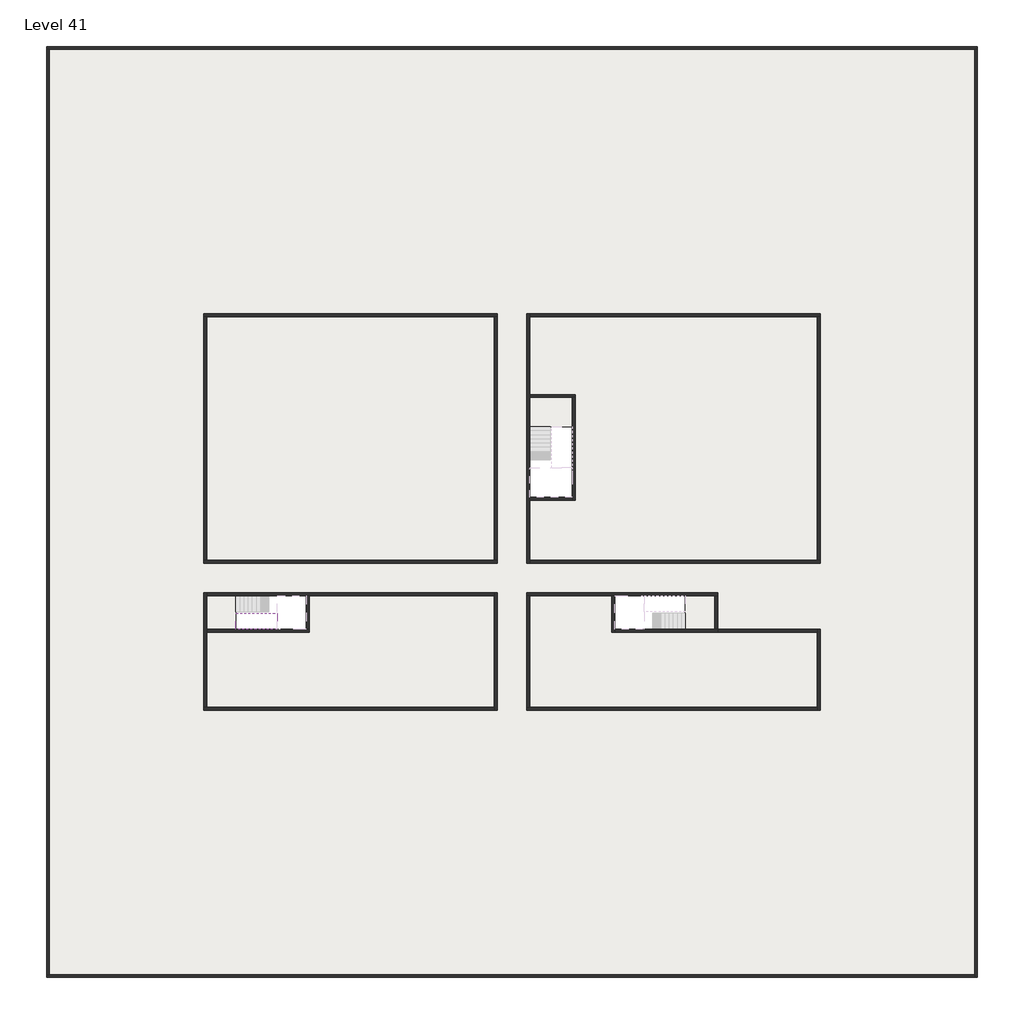
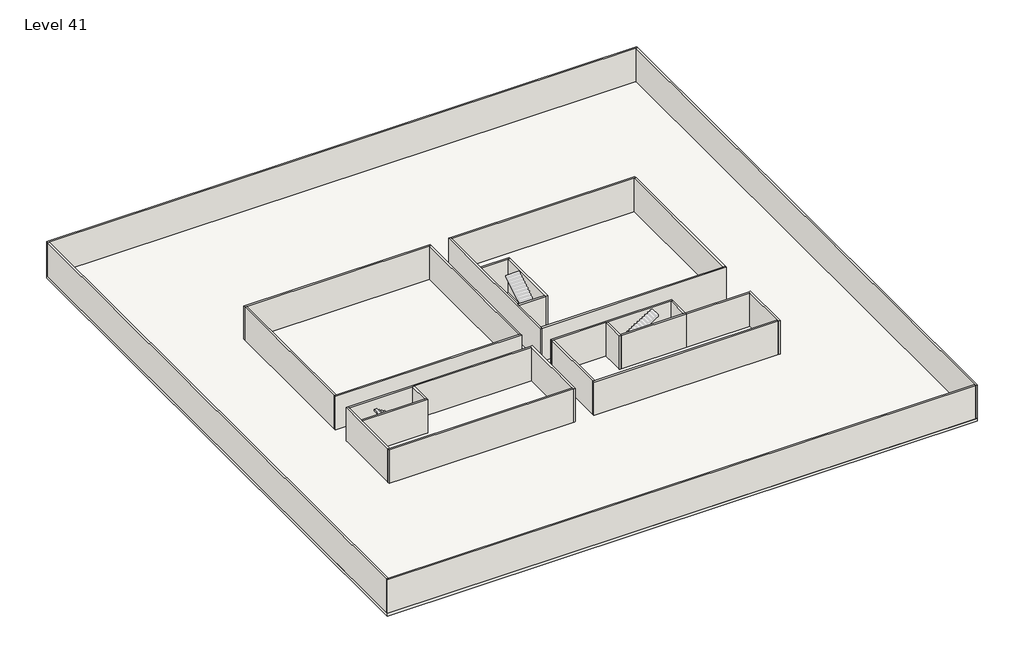
# One storey, part 1 of 2: 29 walls, 2 slabs, 1 stair flight.
"""IFC4 building model written with IfcOpenShell, lengths in millimetres."""

from ifc_helpers import new_model, si_unit, frame, origin, place, context, project, spatial, polyline, outline, extrude, faceted_brep, element, save

model = new_model("IFC4")

# Units and contexts
model_context = context("Model", 3, world=origin())
ifc_project = project(units=[si_unit("LENGTHUNIT", "METRE", prefix="MILLI")], contexts=[model_context])

# Site, building, storey
site = spatial("IfcSite", under=ifc_project)
building = spatial("IfcBuilding", under=site)
storey = spatial("IfcBuildingStorey", under=building, Name="Level 41", Elevation=152000.0)

# Slabs
placement = place(None, origin())
element("IfcSlab", 1, at=placement, inside=storey, context=model_context, shape_type="SweptSolid", body=[
    extrude(outline(polyline([(28290.1058784, -31418.09644), (25390.1058784, -31418.09644), (25390.1058784, -29418.09644), (28290.1058784, -29418.09644), (28290.1058784, -31418.09644)])), frame((0.0, 0.0, 151700.0), z_axis=(0.0, 0.0, 1.0), x_axis=(1.0, 0.0, 0.0)), (0.0, 0.0, 1.0), 300.0),
    extrude(outline(polyline([(5390.1058784, -42918.09644), (5390.1058784, -45218.09644), (3390.1058784, -45218.09644), (3390.1058784, -42918.09644), (5390.1058784, -42918.09644)])), frame((0.0, 0.0, 151700.0), z_axis=(0.0, 0.0, 1.0), x_axis=(1.0, 0.0, 0.0)), (0.0, 0.0, 1.0), 300.0),
    extrude(outline(polyline([(37990.1058784, -42918.09644), (37990.1058784, -45218.09644), (35990.1058784, -45218.09644), (35990.1058784, -42918.09644), (37990.1058784, -42918.09644)])), frame((0.0, 0.0, 151700.0), z_axis=(0.0, 0.0, 1.0), x_axis=(1.0, 0.0, 0.0)), (0.0, 0.0, 1.0), 300.0),
])
element("IfcSlab", 2, at=placement, inside=storey, context=model_context, shape_type="SweptSolid", body=[
    extrude(outline(polyline([(55890.1058784, -5518.09644), (55890.1058784, -68918.09644), (-7509.8941216, -68918.09644), (-7509.8941216, -5518.09644), (55890.1058784, -5518.09644)]), holes=[polyline([(37990.1058784, -42918.09644), (31190.1058784, -42918.09644), (31190.1058784, -45218.09644), (37990.1058784, -45218.09644), (37990.1058784, -42918.09644)]), polyline([(28290.1058784, -29418.09644), (25390.1058784, -29418.09644), (25390.1058784, -36218.09644), (28290.1058784, -36218.09644), (28290.1058784, -29418.09644)]), polyline([(10190.1058784, -42918.09644), (3390.1058784, -42918.09644), (3390.1058784, -45218.09644), (10190.1058784, -45218.09644), (10190.1058784, -42918.09644)])]), frame((0.0, 0.0, 151700.0), z_axis=(0.0, 0.0, 1.0), x_axis=(1.0, 0.0, 0.0)), (0.0, 0.0, 1.0), 300.0),
])

# Stair flight
element("IfcStairFlight", 3, at=placement, inside=storey, context=model_context, shape_type="Brep", body=[
    faceted_brep([(7910.1058784, -45218.09644, 154072.7272727), (8190.1058784, -45218.09644, 154072.7272727), (8190.1058784, -44118.09644, 154072.7272727), (7910.1058784, -44118.09644, 154072.7272727), (7910.1058784, -45218.09644, 153896.4823932), (8190.1058784, -45218.09644, 153723.7551205), (8190.1058784, -45218.09644, 153900.0), (8190.1058784, -44118.09644, 153723.7551205), (7910.1058784, -44118.09644, 153896.4823932), (7630.1058784, -45218.09644, 154245.4545455), (7910.1058784, -45218.09644, 154245.4545455), (7910.1058784, -44118.09644, 154245.4545455), (7630.1058784, -44118.09644, 154245.4545455), (7630.1058784, -45218.09644, 154069.209666), (7630.1058784, -44118.09644, 154069.209666), (7350.1058784, -45218.09644, 154418.1818182), (7630.1058784, -45218.09644, 154418.1818182), (7630.1058784, -44118.09644, 154418.1818182), (7350.1058784, -44118.09644, 154418.1818182), (7350.1058784, -45218.09644, 154241.9369387), (7350.1058784, -44118.09644, 154241.9369387), (7070.1058784, -45218.09644, 154590.9090909), (7350.1058784, -45218.09644, 154590.9090909), (7350.1058784, -44118.09644, 154590.9090909), (7070.1058784, -44118.09644, 154590.9090909), (7070.1058784, -45218.09644, 154414.6642114), (7070.1058784, -44118.09644, 154414.6642114), (6790.1058784, -45218.09644, 154763.6363636), (7070.1058784, -45218.09644, 154763.6363636), (7070.1058784, -44118.09644, 154763.6363636), (6790.1058784, -44118.09644, 154763.6363636), (6790.1058784, -45218.09644, 154587.3914841), (6790.1058784, -44118.09644, 154587.3914841), (6510.1058784, -45218.09644, 154936.3636364), (6790.1058784, -45218.09644, 154936.3636364), (6790.1058784, -44118.09644, 154936.3636364), (6510.1058784, -44118.09644, 154936.3636364), (6510.1058784, -45218.09644, 154760.1187569), (6510.1058784, -44118.09644, 154760.1187569), (6230.1058784, -45218.09644, 155109.0909091), (6510.1058784, -45218.09644, 155109.0909091), (6510.1058784, -44118.09644, 155109.0909091), (6230.1058784, -44118.09644, 155109.0909091), (6230.1058784, -45218.09644, 154932.8460296), (6230.1058784, -44118.09644, 154932.8460296), (5950.1058784, -45218.09644, 155281.8181818), (6230.1058784, -45218.09644, 155281.8181818), (6230.1058784, -44118.09644, 155281.8181818), (5950.1058784, -44118.09644, 155281.8181818), (5950.1058784, -45218.09644, 155105.5733023), (5950.1058784, -44118.09644, 155105.5733023), (5670.1058784, -45218.09644, 155454.5454545), (5950.1058784, -45218.09644, 155454.5454545), (5950.1058784, -44118.09644, 155454.5454545), (5670.1058784, -44118.09644, 155454.5454545), (5670.1058784, -45218.09644, 155278.3005751), (5670.1058784, -44118.09644, 155278.3005751), (5390.1058784, -45218.09644, 155627.2727273), (5670.1058784, -45218.09644, 155627.2727273), (5670.1058784, -44118.09644, 155627.2727273), (5390.1058784, -44118.09644, 155627.2727273), (5390.1058784, -45218.09644, 155451.0278478), (5390.1058784, -44118.09644, 155451.0278478)], [[[0, 1, 2, 3]], [[1, 0, 4, 5, 6]], [[2, 1, 6, 5, 7]], [[3, 2, 7, 8]], [[9, 10, 11, 12]], [[10, 9, 13, 4, 0]], [[11, 10, 0, 3]], [[12, 11, 3, 8, 14]], [[15, 16, 17, 18]], [[16, 15, 19, 13, 9]], [[17, 16, 9, 12]], [[18, 17, 12, 14, 20]], [[21, 22, 23, 24]], [[22, 21, 25, 19, 15]], [[23, 22, 15, 18]], [[24, 23, 18, 20, 26]], [[27, 28, 29, 30]], [[28, 27, 31, 25, 21]], [[29, 28, 21, 24]], [[30, 29, 24, 26, 32]], [[33, 34, 35, 36]], [[34, 33, 37, 31, 27]], [[35, 34, 27, 30]], [[36, 35, 30, 32, 38]], [[39, 40, 41, 42]], [[40, 39, 43, 37, 33]], [[41, 40, 33, 36]], [[42, 41, 36, 38, 44]], [[45, 46, 47, 48]], [[46, 45, 49, 43, 39]], [[47, 46, 39, 42]], [[48, 47, 42, 44, 50]], [[51, 52, 53, 54]], [[52, 51, 55, 49, 45]], [[53, 52, 45, 48]], [[54, 53, 48, 50, 56]], [[57, 58, 59, 60]], [[58, 57, 61, 55, 51]], [[59, 58, 51, 54]], [[60, 59, 54, 56, 62]], [[57, 60, 62, 61]], [[5, 4, 13, 19, 25, 31, 37, 43, 49, 55, 61, 62, 56, 50, 44, 38, 32, 26, 20, 14, 8, 7]]]),
])

# Walls
element("IfcWall", 4, at=placement, inside=storey, context=model_context, shape_type="Brep", body=[
    faceted_brep([(-7509.8941216, -5718.09644, 152000.0), (-7309.8941216, -5718.09644, 152000.0), (55690.1058784, -5718.09644, 152000.0), (55890.1058784, -5718.09644, 152000.0), (55890.1058784, -5718.09644, 155800.0), (55690.1058784, -5718.09644, 155800.0), (-7309.8941216, -5718.09644, 155800.0), (-7509.8941216, -5718.09644, 155800.0), (-7509.8941216, -5518.09644, 152000.0), (-7509.8941216, -5518.09644, 155800.0), (55890.1058784, -5518.09644, 155800.0), (55890.1058784, -5518.09644, 152000.0)], [[[0, 1, 2, 3, 4, 5, 6, 7]], [[8, 9, 10, 11]], [[3, 2, 1, 0, 8, 11]], [[7, 6, 5, 4, 10, 9]], [[4, 3, 11, 10]], [[0, 7, 9, 8]]]),
])
element("IfcWall", 5, at=placement, inside=storey, context=model_context, shape_type="Brep", body=[
    faceted_brep([(55690.1058784, -5718.09644, 152000.0), (55690.1058784, -68718.09644, 152000.0), (55690.1058784, -68918.09644, 152000.0), (55690.1058784, -68918.09644, 155800.0), (55690.1058784, -68718.09644, 155800.0), (55690.1058784, -5718.09644, 155800.0), (55890.1058784, -5718.09644, 152000.0), (55890.1058784, -5718.09644, 155800.0), (55890.1058784, -68918.09644, 155800.0), (55890.1058784, -68918.09644, 152000.0)], [[[0, 1, 2, 3, 4, 5]], [[6, 7, 8, 9]], [[2, 1, 0, 6, 9]], [[5, 4, 3, 8, 7]], [[0, 5, 7, 6]], [[3, 2, 9, 8]]]),
])
element("IfcWall", 6, at=placement, inside=storey, context=model_context, shape_type="Brep", body=[
    faceted_brep([(55690.1058784, -68718.09644, 152000.0), (-7309.8941216, -68718.09644, 152000.0), (-7509.8941216, -68718.09644, 152000.0), (-7509.8941216, -68718.09644, 155800.0), (-7309.8941216, -68718.09644, 155800.0), (55690.1058784, -68718.09644, 155800.0), (55690.1058784, -68918.09644, 152000.0), (55690.1058784, -68918.09644, 155800.0), (-7509.8941216, -68918.09644, 155800.0), (-7509.8941216, -68918.09644, 152000.0)], [[[0, 1, 2, 3, 4, 5]], [[6, 7, 8, 9]], [[2, 1, 0, 6, 9]], [[5, 4, 3, 8, 7]], [[0, 5, 7, 6]], [[3, 2, 9, 8]]]),
])
element("IfcWall", 7, at=placement, inside=storey, context=model_context, shape_type="SweptSolid", body=[
    extrude(outline(polyline([(-7309.8941216, -5718.09644), (-7309.8941216, -68718.09644), (-7509.8941216, -68718.09644), (-7509.8941216, -5718.09644), (-7309.8941216, -5718.09644)])), frame((0.0, 0.0, 152000.0), z_axis=(0.0, 0.0, 1.0), x_axis=(1.0, 0.0, 0.0)), (0.0, 0.0, 1.0), 3800.0),
])
element("IfcWall", 8, at=placement, inside=storey, context=model_context, shape_type="Brep", body=[
    faceted_brep([(3190.1058784, -23918.09644, 152000.0), (3390.1058784, -23918.09644, 152000.0), (22990.1058784, -23918.09644, 152000.0), (23190.1058784, -23918.09644, 152000.0), (23190.1058784, -23918.09644, 155800.0), (22990.1058784, -23918.09644, 155800.0), (3390.1058784, -23918.09644, 155800.0), (3190.1058784, -23918.09644, 155800.0), (3190.1058784, -23718.09644, 152000.0), (3190.1058784, -23718.09644, 155800.0), (23190.1058784, -23718.09644, 155800.0), (23190.1058784, -23718.09644, 152000.0)], [[[0, 1, 2, 3, 4, 5, 6, 7]], [[8, 9, 10, 11]], [[3, 2, 1, 0, 8, 11]], [[7, 6, 5, 4, 10, 9]], [[0, 7, 9, 8]], [[4, 3, 11, 10]]]),
])
element("IfcWall", 9, at=placement, inside=storey, context=model_context, shape_type="SweptSolid", body=[
    extrude(outline(polyline([(44990.1058784, -40518.09644), (44990.1058784, -23918.09644), (45190.1058784, -23918.09644), (45190.1058784, -40518.09644), (44990.1058784, -40518.09644)])), frame((0.0, 0.0, 152000.0), z_axis=(0.0, 0.0, 1.0), x_axis=(1.0, 0.0, 0.0)), (0.0, 0.0, 1.0), 3800.0),
])
element("IfcWall", 10, at=placement, inside=storey, context=model_context, shape_type="Brep", body=[
    faceted_brep([(44990.1058784, -50518.09644, 152000.0), (25390.1058784, -50518.09644, 152000.0), (25190.1058784, -50518.09644, 152000.0), (25190.1058784, -50518.09644, 155800.0), (25390.1058784, -50518.09644, 155800.0), (44990.1058784, -50518.09644, 155800.0), (44990.1058784, -50718.09644, 152000.0), (44990.1058784, -50718.09644, 155800.0), (25190.1058784, -50718.09644, 155800.0), (25190.1058784, -50718.09644, 152000.0)], [[[0, 1, 2, 3, 4, 5]], [[6, 7, 8, 9]], [[2, 1, 0, 6, 9]], [[5, 4, 3, 8, 7]], [[3, 2, 9, 8]], [[0, 5, 7, 6]]]),
])
element("IfcWall", 11, at=placement, inside=storey, context=model_context, shape_type="Brep", body=[
    faceted_brep([(3390.1058784, -50518.09644, 152000.0), (3390.1058784, -45418.09644, 152000.0), (3390.1058784, -45218.09644, 152000.0), (3390.1058784, -42918.09644, 152000.0), (3390.1058784, -42718.09644, 152000.0), (3390.1058784, -42718.09644, 155800.0), (3390.1058784, -42918.09644, 155800.0), (3390.1058784, -45218.09644, 155800.0), (3390.1058784, -45418.09644, 155800.0), (3390.1058784, -50518.09644, 155800.0), (3190.1058784, -50518.09644, 152000.0), (3190.1058784, -50518.09644, 155800.0), (3190.1058784, -42718.09644, 155800.0), (3190.1058784, -42718.09644, 152000.0)], [[[0, 1, 2, 3, 4, 5, 6, 7, 8, 9]], [[10, 11, 12, 13]], [[4, 3, 2, 1, 0, 10, 13]], [[9, 8, 7, 6, 5, 12, 11]], [[0, 9, 11, 10]], [[5, 4, 13, 12]]]),
])
element("IfcWall", 12, at=placement, inside=storey, context=model_context, shape_type="SweptSolid", body=[
    extrude(outline(polyline([(22990.1058784, -40518.09644), (22990.1058784, -23918.09644), (23190.1058784, -23918.09644), (23190.1058784, -40518.09644), (22990.1058784, -40518.09644)])), frame((0.0, 0.0, 152000.0), z_axis=(0.0, 0.0, 1.0), x_axis=(1.0, 0.0, 0.0)), (0.0, 0.0, 1.0), 3800.0),
])
element("IfcWall", 13, at=placement, inside=storey, context=model_context, shape_type="Brep", body=[
    faceted_brep([(23190.1058784, -40518.09644, 152000.0), (22990.1058784, -40518.09644, 152000.0), (3390.1058784, -40518.09644, 152000.0), (3190.1058784, -40518.09644, 152000.0), (3190.1058784, -40518.09644, 155800.0), (3390.1058784, -40518.09644, 155800.0), (22990.1058784, -40518.09644, 155800.0), (23190.1058784, -40518.09644, 155800.0), (23190.1058784, -40718.09644, 152000.0), (23190.1058784, -40718.09644, 155800.0), (3190.1058784, -40718.09644, 155800.0), (3190.1058784, -40718.09644, 152000.0)], [[[0, 1, 2, 3, 4, 5, 6, 7]], [[8, 9, 10, 11]], [[3, 2, 1, 0, 8, 11]], [[7, 6, 5, 4, 10, 9]], [[4, 3, 11, 10]], [[0, 7, 9, 8]]]),
])
element("IfcWall", 14, at=placement, inside=storey, context=model_context, shape_type="Brep", body=[
    faceted_brep([(3390.1058784, -42918.09644, 152000.0), (10190.1058784, -42918.09644, 152000.0), (10390.1058784, -42918.09644, 152000.0), (22990.1058784, -42918.09644, 152000.0), (22990.1058784, -42918.09644, 155800.0), (10390.1058784, -42918.09644, 155800.0), (10190.1058784, -42918.09644, 155800.0), (3390.1058784, -42918.09644, 155800.0), (3390.1058784, -42718.09644, 152000.0), (3390.1058784, -42718.09644, 155800.0), (22990.1058784, -42718.09644, 155800.0), (22990.1058784, -42718.09644, 152000.0)], [[[0, 1, 2, 3, 4, 5, 6, 7]], [[8, 9, 10, 11]], [[3, 2, 1, 0, 8, 11]], [[7, 6, 5, 4, 10, 9]], [[0, 7, 9, 8]], [[4, 3, 11, 10]]]),
])
element("IfcWall", 15, at=placement, inside=storey, context=model_context, shape_type="Brep", body=[
    faceted_brep([(45190.1058784, -40518.09644, 152000.0), (44990.1058784, -40518.09644, 152000.0), (25390.1058784, -40518.09644, 152000.0), (25390.1058784, -40518.09644, 155800.0), (44990.1058784, -40518.09644, 155800.0), (45190.1058784, -40518.09644, 155800.0), (45190.1058784, -40718.09644, 152000.0), (45190.1058784, -40718.09644, 155800.0), (25390.1058784, -40718.09644, 155800.0), (25390.1058784, -40718.09644, 152000.0)], [[[0, 1, 2, 3, 4, 5]], [[6, 7, 8, 9]], [[2, 1, 0, 6, 9]], [[5, 4, 3, 8, 7]], [[3, 2, 9, 8]], [[0, 5, 7, 6]]]),
])
element("IfcWall", 16, at=placement, inside=storey, context=model_context, shape_type="Brep", body=[
    faceted_brep([(25390.1058784, -40718.09644, 152000.0), (25390.1058784, -40518.09644, 152000.0), (25390.1058784, -36418.09644, 152000.0), (25390.1058784, -36218.09644, 152000.0), (25390.1058784, -29418.09644, 152000.0), (25390.1058784, -29218.09644, 152000.0), (25390.1058784, -23918.09644, 152000.0), (25390.1058784, -23718.09644, 152000.0), (25390.1058784, -23718.09644, 155800.0), (25390.1058784, -23918.09644, 155800.0), (25390.1058784, -29218.09644, 155800.0), (25390.1058784, -29418.09644, 155800.0), (25390.1058784, -36218.09644, 155800.0), (25390.1058784, -36418.09644, 155800.0), (25390.1058784, -40518.09644, 155800.0), (25390.1058784, -40718.09644, 155800.0), (25190.1058784, -40718.09644, 152000.0), (25190.1058784, -40718.09644, 155800.0), (25190.1058784, -23718.09644, 155800.0), (25190.1058784, -23718.09644, 152000.0)], [[[0, 1, 2, 3, 4, 5, 6, 7, 8, 9, 10, 11, 12, 13, 14, 15]], [[16, 17, 18, 19]], [[7, 6, 5, 4, 3, 2, 1, 0, 16, 19]], [[15, 14, 13, 12, 11, 10, 9, 8, 18, 17]], [[8, 7, 19, 18]], [[0, 15, 17, 16]]]),
])
element("IfcWall", 17, at=placement, inside=storey, context=model_context, shape_type="SweptSolid", body=[
    extrude(outline(polyline([(3390.1058784, -23918.09644), (3390.1058784, -40518.09644), (3190.1058784, -40518.09644), (3190.1058784, -23918.09644), (3390.1058784, -23918.09644)])), frame((0.0, 0.0, 152000.0), z_axis=(0.0, 0.0, 1.0), x_axis=(1.0, 0.0, 0.0)), (0.0, 0.0, 1.0), 3800.0),
])
element("IfcWall", 18, at=placement, inside=storey, context=model_context, shape_type="Brep", body=[
    faceted_brep([(25390.1058784, -23918.09644, 152000.0), (44990.1058784, -23918.09644, 152000.0), (45190.1058784, -23918.09644, 152000.0), (45190.1058784, -23918.09644, 155800.0), (44990.1058784, -23918.09644, 155800.0), (25390.1058784, -23918.09644, 155800.0), (25390.1058784, -23718.09644, 152000.0), (25390.1058784, -23718.09644, 155800.0), (45190.1058784, -23718.09644, 155800.0), (45190.1058784, -23718.09644, 152000.0)], [[[0, 1, 2, 3, 4, 5]], [[6, 7, 8, 9]], [[2, 1, 0, 6, 9]], [[5, 4, 3, 8, 7]], [[0, 5, 7, 6]], [[3, 2, 9, 8]]]),
])
element("IfcWall", 19, at=placement, inside=storey, context=model_context, shape_type="Brep", body=[
    faceted_brep([(44990.1058784, -45218.09644, 152000.0), (44990.1058784, -45418.09644, 152000.0), (44990.1058784, -50518.09644, 152000.0), (44990.1058784, -50718.09644, 152000.0), (44990.1058784, -50718.09644, 155800.0), (44990.1058784, -50518.09644, 155800.0), (44990.1058784, -45418.09644, 155800.0), (44990.1058784, -45218.09644, 155800.0), (45190.1058784, -45218.09644, 152000.0), (45190.1058784, -45218.09644, 155800.0), (45190.1058784, -50718.09644, 155800.0), (45190.1058784, -50718.09644, 152000.0)], [[[0, 1, 2, 3, 4, 5, 6, 7]], [[8, 9, 10, 11]], [[3, 2, 1, 0, 8, 11]], [[7, 6, 5, 4, 10, 9]], [[4, 3, 11, 10]], [[0, 7, 9, 8]]]),
])
element("IfcWall", 20, at=placement, inside=storey, context=model_context, shape_type="Brep", body=[
    faceted_brep([(25390.1058784, -29418.09644, 152000.0), (28290.1058784, -29418.09644, 152000.0), (28490.1058784, -29418.09644, 152000.0), (28490.1058784, -29418.09644, 155800.0), (28290.1058784, -29418.09644, 155800.0), (25390.1058784, -29418.09644, 155800.0), (25390.1058784, -29218.09644, 152000.0), (25390.1058784, -29218.09644, 155800.0), (28490.1058784, -29218.09644, 155800.0), (28490.1058784, -29218.09644, 152000.0)], [[[0, 1, 2, 3, 4, 5]], [[6, 7, 8, 9]], [[2, 1, 0, 6, 9]], [[5, 4, 3, 8, 7]], [[3, 2, 9, 8]], [[0, 5, 7, 6]]]),
])
element("IfcWall", 21, at=placement, inside=storey, context=model_context, shape_type="Brep", body=[
    faceted_brep([(28290.1058784, -29418.09644, 152000.0), (28290.1058784, -36218.09644, 152000.0), (28290.1058784, -36418.09644, 152000.0), (28290.1058784, -36418.09644, 155800.0), (28290.1058784, -36218.09644, 155800.0), (28290.1058784, -29418.09644, 155800.0), (28490.1058784, -29418.09644, 152000.0), (28490.1058784, -29418.09644, 155800.0), (28490.1058784, -36418.09644, 155800.0), (28490.1058784, -36418.09644, 152000.0)], [[[0, 1, 2, 3, 4, 5]], [[6, 7, 8, 9]], [[2, 1, 0, 6, 9]], [[5, 4, 3, 8, 7]], [[3, 2, 9, 8]], [[0, 5, 7, 6]]]),
])
element("IfcWall", 22, at=placement, inside=storey, context=model_context, shape_type="SweptSolid", body=[
    extrude(outline(polyline([(25390.1058784, -36218.09644), (28290.1058784, -36218.09644), (28290.1058784, -36418.09644), (25390.1058784, -36418.09644), (25390.1058784, -36218.09644)])), frame((0.0, 0.0, 152000.0), z_axis=(0.0, 0.0, 1.0), x_axis=(1.0, 0.0, 0.0)), (0.0, 0.0, 1.0), 3800.0),
])
element("IfcWall", 23, at=placement, inside=storey, context=model_context, shape_type="Brep", body=[
    faceted_brep([(3390.1058784, -45418.09644, 152000.0), (10390.1058784, -45418.09644, 152000.0), (10390.1058784, -45418.09644, 155800.0), (3390.1058784, -45418.09644, 155800.0), (3390.1058784, -45218.09644, 152000.0), (3390.1058784, -45218.09644, 155800.0), (10190.1058784, -45218.09644, 155800.0), (10390.1058784, -45218.09644, 155800.0), (10390.1058784, -45218.09644, 152000.0), (10190.1058784, -45218.09644, 152000.0)], [[[0, 1, 2, 3]], [[4, 5, 6, 7, 8, 9]], [[1, 0, 4, 9, 8]], [[3, 2, 7, 6, 5]], [[2, 1, 8, 7]], [[0, 3, 5, 4]]]),
])
element("IfcWall", 24, at=placement, inside=storey, context=model_context, shape_type="SweptSolid", body=[
    extrude(outline(polyline([(10390.1058784, -42918.09644), (10390.1058784, -45218.09644), (10190.1058784, -45218.09644), (10190.1058784, -42918.09644), (10390.1058784, -42918.09644)])), frame((0.0, 0.0, 152000.0), z_axis=(0.0, 0.0, 1.0), x_axis=(1.0, 0.0, 0.0)), (0.0, 0.0, 1.0), 3800.0),
])
element("IfcWall", 25, at=placement, inside=storey, context=model_context, shape_type="Brep", body=[
    faceted_brep([(30990.1058784, -42918.09644, 152000.0), (30990.1058784, -45418.09644, 152000.0), (30990.1058784, -45418.09644, 155800.0), (30990.1058784, -42918.09644, 155800.0), (31190.1058784, -42918.09644, 152000.0), (31190.1058784, -42918.09644, 155800.0), (31190.1058784, -45218.09644, 155800.0), (31190.1058784, -45418.09644, 155800.0), (31190.1058784, -45418.09644, 152000.0), (31190.1058784, -45218.09644, 152000.0)], [[[0, 1, 2, 3]], [[4, 5, 6, 7, 8, 9]], [[1, 0, 4, 9, 8]], [[3, 2, 7, 6, 5]], [[2, 1, 8, 7]], [[0, 3, 5, 4]]]),
])
element("IfcWall", 26, at=placement, inside=storey, context=model_context, shape_type="Brep", body=[
    faceted_brep([(31190.1058784, -45418.09644, 152000.0), (38190.1058784, -45418.09644, 152000.0), (38190.1058784, -45418.09644, 155800.0), (31190.1058784, -45418.09644, 155800.0), (31190.1058784, -45218.09644, 152000.0), (31190.1058784, -45218.09644, 155800.0), (37990.1058784, -45218.09644, 155800.0), (38190.1058784, -45218.09644, 155800.0), (38190.1058784, -45218.09644, 152000.0), (37990.1058784, -45218.09644, 152000.0)], [[[0, 1, 2, 3]], [[4, 5, 6, 7, 8, 9]], [[1, 0, 4, 9, 8]], [[3, 2, 7, 6, 5]], [[0, 3, 5, 4]], [[2, 1, 8, 7]]]),
])
element("IfcWall", 27, at=placement, inside=storey, context=model_context, shape_type="SweptSolid", body=[
    extrude(outline(polyline([(25190.1058784, -50518.09644), (25190.1058784, -42918.09644), (25390.1058784, -42918.09644), (25390.1058784, -50518.09644), (25190.1058784, -50518.09644)])), frame((0.0, 0.0, 152000.0), z_axis=(0.0, 0.0, 1.0), x_axis=(1.0, 0.0, 0.0)), (0.0, 0.0, 1.0), 3800.0),
])
element("IfcWall", 28, at=placement, inside=storey, context=model_context, shape_type="Brep", body=[
    faceted_brep([(22990.1058784, -42718.09644, 152000.0), (22990.1058784, -42918.09644, 152000.0), (22990.1058784, -50518.09644, 152000.0), (22990.1058784, -50718.09644, 152000.0), (22990.1058784, -50718.09644, 155800.0), (22990.1058784, -50518.09644, 155800.0), (22990.1058784, -42918.09644, 155800.0), (22990.1058784, -42718.09644, 155800.0), (23190.1058784, -42718.09644, 152000.0), (23190.1058784, -42718.09644, 155800.0), (23190.1058784, -50718.09644, 155800.0), (23190.1058784, -50718.09644, 152000.0)], [[[0, 1, 2, 3, 4, 5, 6, 7]], [[8, 9, 10, 11]], [[3, 2, 1, 0, 8, 11]], [[7, 6, 5, 4, 10, 9]], [[4, 3, 11, 10]], [[0, 7, 9, 8]]]),
])
element("IfcWall", 29, at=placement, inside=storey, context=model_context, shape_type="Brep", body=[
    faceted_brep([(25190.1058784, -42918.09644, 152000.0), (25390.1058784, -42918.09644, 152000.0), (30990.1058784, -42918.09644, 152000.0), (31190.1058784, -42918.09644, 152000.0), (37990.1058784, -42918.09644, 152000.0), (38190.1058784, -42918.09644, 152000.0), (38190.1058784, -42918.09644, 155800.0), (37990.1058784, -42918.09644, 155800.0), (31190.1058784, -42918.09644, 155800.0), (30990.1058784, -42918.09644, 155800.0), (25390.1058784, -42918.09644, 155800.0), (25190.1058784, -42918.09644, 155800.0), (25190.1058784, -42718.09644, 152000.0), (25190.1058784, -42718.09644, 155800.0), (38190.1058784, -42718.09644, 155800.0), (38190.1058784, -42718.09644, 152000.0)], [[[0, 1, 2, 3, 4, 5, 6, 7, 8, 9, 10, 11]], [[12, 13, 14, 15]], [[5, 4, 3, 2, 1, 0, 12, 15]], [[11, 10, 9, 8, 7, 6, 14, 13]], [[0, 11, 13, 12]], [[6, 5, 15, 14]]]),
])
element("IfcWall", 30, at=placement, inside=storey, context=model_context, shape_type="Brep", body=[
    faceted_brep([(22990.1058784, -50518.09644, 152000.0), (3390.1058784, -50518.09644, 152000.0), (3190.1058784, -50518.09644, 152000.0), (3190.1058784, -50518.09644, 155800.0), (3390.1058784, -50518.09644, 155800.0), (22990.1058784, -50518.09644, 155800.0), (22990.1058784, -50718.09644, 152000.0), (22990.1058784, -50718.09644, 155800.0), (3190.1058784, -50718.09644, 155800.0), (3190.1058784, -50718.09644, 152000.0)], [[[0, 1, 2, 3, 4, 5]], [[6, 7, 8, 9]], [[2, 1, 0, 6, 9]], [[5, 4, 3, 8, 7]], [[3, 2, 9, 8]], [[0, 5, 7, 6]]]),
])
element("IfcWall", 31, at=placement, inside=storey, context=model_context, shape_type="SweptSolid", body=[
    extrude(outline(polyline([(37990.1058784, -45218.09644), (37990.1058784, -42918.09644), (38190.1058784, -42918.09644), (38190.1058784, -45218.09644), (37990.1058784, -45218.09644)])), frame((0.0, 0.0, 152000.0), z_axis=(0.0, 0.0, 1.0), x_axis=(1.0, 0.0, 0.0)), (0.0, 0.0, 1.0), 3800.0),
])
element("IfcWall", 32, at=placement, inside=storey, context=model_context, shape_type="SweptSolid", body=[
    extrude(outline(polyline([(44990.1058784, -45418.09644), (38190.1058784, -45418.09644), (38190.1058784, -45218.09644), (44990.1058784, -45218.09644), (44990.1058784, -45418.09644)])), frame((0.0, 0.0, 152000.0), z_axis=(0.0, 0.0, 1.0), x_axis=(1.0, 0.0, 0.0)), (0.0, 0.0, 1.0), 3800.0),
])

save(model, "model.ifc")
